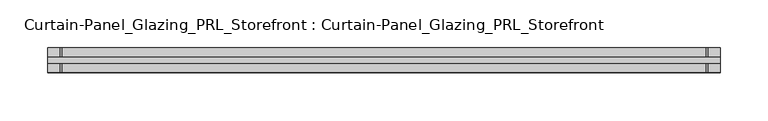
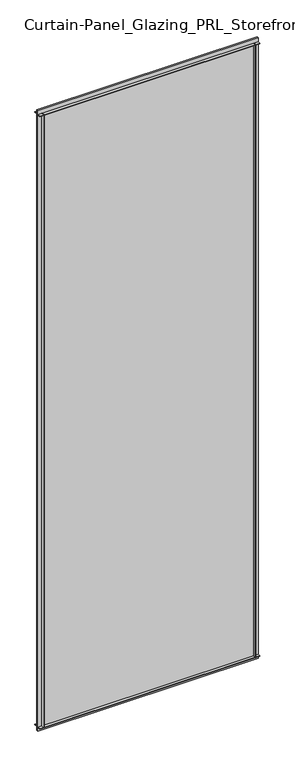
"""IFC4 building model written with IfcOpenShell, lengths in millimetres: plate geometry, Curtain-Panel_Glazing_PRL_Storefront : Curtain-Panel_Glazing_PRL_Storefront."""

from ifc_helpers import new_model, si_unit, frame, origin, origin_with_axes, place, context, project, spatial, polyline, outline, extrude, source, transform, mapped, element, save


def curtain_panel_glazing_prl_storefront_curtain_panel_glazing_d47405bc(model_context):
    return source(origin(), model_context, "Body", "SweptSolid", [
        extrude(outline(polyline([(386.8208333, -12.7), (385.2333333, -12.7), (385.2333333, -3.175), (386.8208333, -3.175), (386.8208333, -12.7)])), frame((0.0, 0.0, 12.7), z_axis=(0.0, 0.0, 1.0), x_axis=(1.0, 0.0, 0.0)), (0.0, 0.0, 1.0), 2060.575),
        extrude(outline(polyline([(386.8208333, 12.7), (386.8208333, 3.175), (385.2333333, 3.175), (385.2333333, 12.7), (386.8208333, 12.7)])), frame((0.0, 0.0, 12.7), z_axis=(0.0, 0.0, 1.0), x_axis=(1.0, 0.0, 0.0)), (0.0, 0.0, 1.0), 2060.575),
        extrude(outline(polyline([(-288.3958333, -12.7), (-288.3958333, -3.175), (-286.8083333, -3.175), (-286.8083333, -12.7), (-288.3958333, -12.7)])), frame((0.0, 0.0, 12.7), z_axis=(0.0, 0.0, 1.0), x_axis=(1.0, 0.0, 0.0)), (0.0, 0.0, 1.0), 2060.575),
        extrude(outline(polyline([(-288.3958333, 12.7), (-286.8083333, 12.7), (-286.8083333, 3.175), (-288.3958333, 3.175), (-288.3958333, 12.7)])), frame((0.0, 0.0, 12.7), z_axis=(0.0, 0.0, 1.0), x_axis=(1.0, 0.0, 0.0)), (0.0, 0.0, 1.0), 2060.575),
        extrude(outline(polyline([(399.5208333, 3.175), (399.5208333, -3.175), (-301.0958333, -3.175), (-301.0958333, 3.175), (399.5208333, 3.175)])), origin_with_axes(), (0.0, 0.0, 1.0), 2085.975),
        extrude(outline(polyline([(-301.0958333, -12.7), (-301.0958333, -3.175), (399.5208333, -3.175), (399.5208333, -12.7), (-301.0958333, -12.7)])), frame((0.0, 0.0, 2071.6875), z_axis=(0.0, 0.0, 1.0), x_axis=(1.0, 0.0, 0.0)), (0.0, 0.0, 1.0), 1.5875),
        extrude(outline(polyline([(-301.0958333, 12.7), (399.5208333, 12.7), (399.5208333, 3.175), (-301.0958333, 3.175), (-301.0958333, 12.7)])), frame((0.0, 0.0, 2071.6875), z_axis=(0.0, 0.0, 1.0), x_axis=(1.0, 0.0, 0.0)), (0.0, 0.0, 1.0), 1.5875),
        extrude(outline(polyline([(-301.0958333, -12.7), (-301.0958333, -3.175), (399.5208333, -3.175), (399.5208333, -12.7), (-301.0958333, -12.7)])), frame((0.0, 0.0, 12.7), z_axis=(0.0, 0.0, 1.0), x_axis=(1.0, 0.0, 0.0)), (0.0, 0.0, 1.0), 1.5875),
        extrude(outline(polyline([(-301.0958333, 12.7), (399.5208333, 12.7), (399.5208333, 3.175), (-301.0958333, 3.175), (-301.0958333, 12.7)])), frame((0.0, 0.0, 12.7), z_axis=(0.0, 0.0, 1.0), x_axis=(1.0, 0.0, 0.0)), (0.0, 0.0, 1.0), 1.5875),
    ])


if __name__ == "__main__":
    model = new_model("IFC4")
    model_context = context("Model", 3, world=origin())
    ifc_project = project(units=[si_unit("LENGTHUNIT", "METRE", prefix="MILLI")], contexts=[model_context])
    site = spatial("IfcSite", under=ifc_project)
    building = spatial("IfcBuilding", under=site)
    placement = place(None, origin())
    curtain_panel_glazing_prl_storefront_curtain_panel_glazing_shape = curtain_panel_glazing_prl_storefront_curtain_panel_glazing_d47405bc(model_context)
    element("IfcPlate", 1, ObjectType="Curtain-Panel_Glazing_PRL_Storefront : Curtain-Panel_Glazing_PRL_Storefront", at=placement, inside=building, context=model_context, shape_type="MappedRepresentation", body=[
        mapped(curtain_panel_glazing_prl_storefront_curtain_panel_glazing_shape, transform((0.0, 0.0, 0.0), x_axis=(1.0, 0.0, 0.0), y_axis=(0.0, 1.0, 0.0), z_axis=(0.0, 0.0, 1.0))),
    ])
    save(model, "model.ifc")
